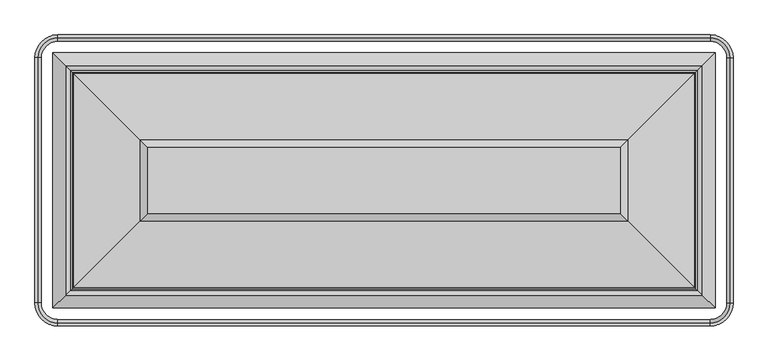
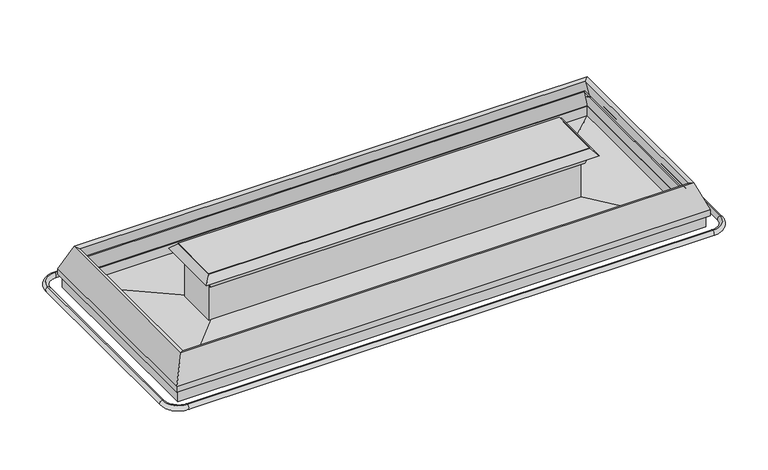
"""IFC4 building model written with IfcOpenShell, lengths in millimetres: proxy geometry."""

import ifcopenshell
import ifcopenshell.guid

model = None  # the IFC model being written
_history = None  # IfcOwnerHistory: only IFC2X3 demands one
_inside = {}  # id of a spatial element -> (the spatial element, [elements in it])
_under = {}  # id of a project, library or spatial element -> (it, [spatial elements below it])
_declared = {}  # id of a project -> (the project, [libraries it declares])
_typed = {}  # id of a type object -> (the type object, [elements of that type])
_made_of = {}  # id of a material, layer set ... -> (it, [elements and type objects made of it])


def new_model(schema):
    """Start an empty IFC model of exactly this schema.

    Asked for "IFC4X3", IfcOpenShell would pick the latest addendum, in which some entities
    have other attributes; the version numbers below select the first issue.
    IFC2X3 requires an IfcOwnerHistory on every rooted entity: one is made here for all.
    """
    global model, _history
    if schema == "IFC4X3":
        model = ifcopenshell.file(schema_version=(4, 3, 0, 0))
    else:
        model = ifcopenshell.file(schema=schema)
    _inside.clear()
    _under.clear()
    _declared.clear()
    _typed.clear()
    _made_of.clear()
    _history = None
    if model.schema == "IFC2X3":
        org = make("IfcOrganization", Name="unknown")
        user = make(
            "IfcPersonAndOrganization",
            ThePerson=make("IfcPerson", FamilyName="unknown"),
            TheOrganization=org,
        )
        app = make(
            "IfcApplication",
            ApplicationDeveloper=org,
            Version="unknown",
            ApplicationFullName="unknown",
            ApplicationIdentifier="unknown",
        )
        _history = make(
            "IfcOwnerHistory",
            OwningUser=user,
            OwningApplication=app,
            ChangeAction="ADDED",
            CreationDate=0,
        )
    return model


def make(cls, **values):
    """One entity of the class cls with the attributes given. An attribute that is None is left unset."""
    return model.create_entity(
        cls, **{name: value for name, value in values.items() if value is not None}
    )


def rooted(cls, **values):
    """An entity with a GlobalId (a new one), such as an element, a storey or a relation."""
    return make(cls, GlobalId=ifcopenshell.guid.new(), OwnerHistory=_history, **values)


def si_unit(unit_type, name, prefix=None):
    """IfcSIUnit, for example si_unit("LENGTHUNIT", "METRE", prefix="MILLI")."""
    return make("IfcSIUnit", UnitType=unit_type, Prefix=prefix, Name=name)


def assignment(units):
    """IfcUnitAssignment: the units of a project."""
    return None if units is None else make("IfcUnitAssignment", Units=units)


def point(xyz):
    """IfcCartesianPoint."""
    return None if xyz is None else make("IfcCartesianPoint", Coordinates=xyz)


def direction(xyz):
    """IfcDirection."""
    return None if xyz is None else make("IfcDirection", DirectionRatios=xyz)


def frame(location, z_axis=None, x_axis=None):
    """IfcAxis2Placement3D, a coordinate frame: its origin and axes. An axis left out is left unset."""
    return make(
        "IfcAxis2Placement3D",
        Location=point(location),
        Axis=direction(z_axis),
        RefDirection=direction(x_axis),
    )


def origin():
    """The frame at (0, 0, 0) with its axes left unset."""
    return frame((0.0, 0.0, 0.0))


def place(relative_to, where):
    """IfcLocalPlacement: puts the frame where relative to a parent placement (None: the world)."""
    return make(
        "IfcLocalPlacement", PlacementRelTo=relative_to, RelativePlacement=where
    )


def context(
    kind, dimensions, precision=None, world=None, true_north=None, identifier=None
):
    """IfcGeometricRepresentationContext, for example the 3D "Model" context."""
    return make(
        "IfcGeometricRepresentationContext",
        ContextIdentifier=identifier,
        ContextType=kind,
        CoordinateSpaceDimension=dimensions,
        Precision=precision,
        WorldCoordinateSystem=world,
        TrueNorth=true_north,
    )


def project(units=None, contexts=None):
    """IfcProject with its units and contexts."""
    return rooted(
        "IfcProject",
        Name="project",
        RepresentationContexts=contexts,
        UnitsInContext=assignment(units),
    )


def spatial(cls, under=None, at=None, **own):
    """A site, building, storey or space (cls), placed at a placement, below another one or the project."""
    s = rooted(cls, ObjectPlacement=at, **own)
    if under is not None:
        _under.setdefault(under.id(), (under, []))[1].append(s)
    return s


def polyline(points):
    """IfcPolyline through the points."""
    return make("IfcPolyline", Points=[point(p) for p in points])


def circle_curve(where, radius):
    """IfcCircle in the frame where."""
    return make("IfcCircle", Position=where, Radius=radius)


def ellipse_curve(where, semi_axis1, semi_axis2):
    """IfcEllipse in the frame where."""
    return make(
        "IfcEllipse", Position=where, SemiAxis1=semi_axis1, SemiAxis2=semi_axis2
    )


def trimmed(basis, trim1, trim2, sense, master):
    """IfcTrimmedCurve: the piece of a basis curve between two trims."""
    return make(
        "IfcTrimmedCurve",
        BasisCurve=basis,
        Trim1=trim1,
        Trim2=trim2,
        SenseAgreement=sense,
        MasterRepresentation=master,
    )


def outline(outer, holes=None, kind="AREA"):
    """IfcArbitraryClosedProfileDef: a profile drawn as a closed curve; with holes, ...WithVoids."""
    if holes is None:
        return make("IfcArbitraryClosedProfileDef", ProfileType=kind, OuterCurve=outer)
    return make(
        "IfcArbitraryProfileDefWithVoids",
        ProfileType=kind,
        OuterCurve=outer,
        InnerCurves=holes,
    )


def extrude(swept, where, along, depth):
    """IfcExtrudedAreaSolid: the profile swept, set in the frame where, extruded along a direction by depth."""
    return make(
        "IfcExtrudedAreaSolid",
        SweptArea=swept,
        Position=where,
        ExtrudedDirection=direction(along),
        Depth=depth,
    )


def faces_of(points, faces, orient=None, outer=None):
    """IfcFace entities. A face is a list of loops; a loop is a list of indices into points, from 0.

    orient and outer hold one flag for each loop. By default every Orientation is true, the
    first loop of a face is its IfcFaceOuterBound and the others are IfcFaceBound.
    """
    made = []
    for i, loops in enumerate(faces):
        bounds = []
        for j, loop in enumerate(loops):
            is_outer = j == 0 if outer is None else outer[i][j]
            bounds.append(
                make(
                    "IfcFaceOuterBound" if is_outer else "IfcFaceBound",
                    Bound=make("IfcPolyLoop", Polygon=[points[k] for k in loop]),
                    Orientation=True if orient is None else orient[i][j],
                )
            )
        made.append(make("IfcFace", Bounds=bounds))
    return made


def faceted_brep(points, faces, orient=None, outer=None, voids=None):
    """IfcFacetedBrep: a solid bounded by flat faces; with voids (closed shells), ...WithVoids."""
    shared = [point(p) for p in points]
    hull = make("IfcClosedShell", CfsFaces=faces_of(shared, faces, orient, outer))
    if voids is None:
        return make("IfcFacetedBrep", Outer=hull)
    return make(
        "IfcFacetedBrepWithVoids",
        Outer=hull,
        Voids=[
            make(cls, CfsFaces=faces_of(shared, fs, o, b)) for cls, fs, o, b in voids
        ],
    )


def shape(context_of_items, identifier, shape_type, items):
    """IfcShapeRepresentation: the items that make up one representation, for example the "Body"."""
    return make(
        "IfcShapeRepresentation",
        ContextOfItems=context_of_items,
        RepresentationIdentifier=identifier,
        RepresentationType=shape_type,
        Items=items,
    )


def source(mapping_origin, context_of_items, identifier, shape_type, items):
    """IfcRepresentationMap: a shape defined once, which mapped items show again and again."""
    return make(
        "IfcRepresentationMap",
        MappingOrigin=mapping_origin,
        MappedRepresentation=shape(context_of_items, identifier, shape_type, items),
    )


def transform(
    local_origin,
    x_axis=None,
    y_axis=None,
    z_axis=None,
    scale=None,
    scale2=None,
    scale3=None,
    uniform=True,
):
    """IfcCartesianTransformationOperator3D, or its non-uniform kind. x_axis, y_axis, z_axis: its Axis1, 2, 3."""
    if uniform:
        return make(
            "IfcCartesianTransformationOperator3D",
            Axis1=direction(x_axis),
            Axis2=direction(y_axis),
            LocalOrigin=point(local_origin),
            Scale=scale,
            Axis3=direction(z_axis),
        )
    return make(
        "IfcCartesianTransformationOperator3DnonUniform",
        Axis1=direction(x_axis),
        Axis2=direction(y_axis),
        LocalOrigin=point(local_origin),
        Scale=scale,
        Axis3=direction(z_axis),
        Scale2=scale2,
        Scale3=scale3,
    )


def mapped(mapping_source, mapping_target):
    """IfcMappedItem: shows the shape of a source again, moved by a transform."""
    return make(
        "IfcMappedItem", MappingSource=mapping_source, MappingTarget=mapping_target
    )


def made_of(thing, what):
    """Note that an element or type object is made of a material, layer set ...; save() writes the relation."""
    if what is not None:
        _made_of.setdefault(what.id(), (what, []))[1].append(thing)
    return thing


def element(
    cls,
    number,
    at=None,
    inside=None,
    cuts=None,
    type_object=None,
    material=None,
    context=None,
    identifier="Body",
    shape_type=None,
    held_by="IfcProductDefinitionShape",
    body=None,
    shapes=None,
    **own,
):
    """One element of the class cls, such as IfcWall. Its Tag is "e" and its number.

    at: its placement. inside: the storey or other place that contains it. cuts: it is an
    opening in that element (IfcRelVoidsElement). A single representation is given by context,
    identifier, shape_type and body (its items); several are given by shapes. held_by: the class
    of the entity that holds the representations. save() writes the other relations.
    """
    e = rooted(cls, Tag="e%d" % number, ObjectPlacement=at, **own)
    if body is not None:
        shapes = [shape(context, identifier, shape_type, body)]
    if shapes is not None:
        e.Representation = make(held_by, Representations=shapes)
    if inside is not None:
        _inside.setdefault(inside.id(), (inside, []))[1].append(e)
    if cuts is not None:
        rooted(
            "IfcRelVoidsElement", RelatingBuildingElement=cuts, RelatedOpeningElement=e
        )
    if type_object is not None:
        _typed.setdefault(type_object.id(), (type_object, []))[1].append(e)
    return made_of(e, material)


def aggregate(whole, parts):
    """IfcRelAggregates: a whole, such as a stair, and the parts it consists of."""
    return rooted("IfcRelAggregates", RelatingObject=whole, RelatedObjects=parts)


def save(model, path):
    """Write the relations noted so far, then the file.

    IfcRelAggregates (storeys below a building ...), IfcRelContainedInSpatialStructure (elements
    in a storey), IfcRelDefinesByType, IfcRelAssociatesMaterial and IfcRelDeclares: one each for
    every whole, place, type object, material and project.
    """
    for whole, parts in _under.values():
        aggregate(whole, parts)
    for where, things in _inside.values():
        rooted(
            "IfcRelContainedInSpatialStructure",
            RelatedElements=things,
            RelatingStructure=where,
        )
    for kind, things in _typed.values():
        rooted("IfcRelDefinesByType", RelatedObjects=things, RelatingType=kind)
    for what, things in _made_of.values():
        rooted("IfcRelAssociatesMaterial", RelatedObjects=things, RelatingMaterial=what)
    for by, libraries in _declared.values():
        rooted("IfcRelDeclares", RelatingContext=by, RelatedDefinitions=libraries)
    model.write(path)


def cylinder_surface(at, radius):
    """IfcCylindricalSurface: all points at the distance radius from the z axis of the frame at."""
    return make("IfcCylindricalSurface", Position=at, Radius=radius)


def revolved_surface(curve, axis_point, axis_direction):
    """IfcSurfaceOfRevolution: the curve turned about the line through axis_point along axis_direction."""
    return make(
        "IfcSurfaceOfRevolution",
        SweptCurve=make("IfcArbitraryOpenProfileDef", ProfileType="CURVE", Curve=curve),
        AxisPosition=make("IfcAxis1Placement", Location=point(axis_point), Axis=direction(axis_direction)),
    )


def advanced_brep(points, edges, surfaces, faces):
    """IfcAdvancedBrep: a solid bounded by faces that lie on surfaces and meet in shared edges.

    An edge is (start, end): straight between two places in points (the first is 0);
    or (start, end, curve); or (start, end, curve, False) where it runs against its curve.
    A face is (place in surfaces, loops), or (place, loops, False) where it looks against
    its surface's normal. A loop lists edges by number (the first is 1), with a minus sign
    where the edge is run from its end to its start. The first loop is the outer one.
    """
    corners = [point(p) for p in points]
    vertices = [make("IfcVertexPoint", VertexGeometry=c) for c in corners]
    made = []
    for start, end, *more in edges:
        made.append(
            make(
                "IfcEdgeCurve",
                EdgeStart=vertices[start],
                EdgeEnd=vertices[end],
                EdgeGeometry=more[0] if more else make("IfcPolyline", Points=[corners[start], corners[end]]),
                SameSense=more[1] if len(more) > 1 else True,
            )
        )
    hull = []
    for where, loops, *sense in faces:
        bounds = []
        for j, loop in enumerate(loops):
            ring = [make("IfcOrientedEdge", EdgeElement=made[abs(k) - 1], Orientation=k > 0) for k in loop]
            bounds.append(
                make(
                    "IfcFaceOuterBound" if j == 0 else "IfcFaceBound",
                    Bound=make("IfcEdgeLoop", EdgeList=ring),
                    Orientation=True,
                )
            )
        hull.append(make("IfcAdvancedFace", Bounds=bounds, FaceSurface=surfaces[where], SameSense=sense[0] if sense else True))
    return make("IfcAdvancedBrep", Outer=make("IfcClosedShell", CfsFaces=hull))


def mechanical_equipment_0924ac7d(model_context):
    return source(origin(), model_context, "Body", "SolidModel", [
        faceted_brep([(117.2795906, -1860.5025367, 659.9033799), (196.5954547, -1781.1866726, 861.5557008), (3705.4795453, -1781.1866726, 861.5557008), (3784.7954094, -1860.5025367, 659.9033799), (136.2488836, -1841.5332437, 652.4421919), (3765.8261164, -1841.5332437, 652.4421919), (161.0082414, -1816.7738859, 656.1660469), (160.6684124, -1817.1137149, 652.4421919), (3741.4065876, -1817.1137149, 652.4421919), (3741.0667586, -1816.7738859, 656.1660469), (207.6899, -1770.0922273, 801.2432088), (3694.3851, -1770.0922273, 801.2432088), (213.7448053, -1764.037322, 799.3299339), (3688.3301947, -1764.037322, 799.3299339), (167.0631468, -1810.7189805, 654.252772), (3735.0118532, -1810.7189805, 654.252772), (167.6563031, -1810.1258242, 649.6873876), (3734.4186969, -1810.1258242, 649.6873876), (100.5067246, -1877.2754027, 690.9584783), (100.5067246, -1877.2754027, 649.6873876), (3801.5682754, -1877.2754027, 649.6873876), (3801.5682754, -1877.2754027, 690.9584783), (171.5871715, -1806.1949558, 871.4067245), (3730.4878285, -1806.1949558, 871.4067245), (3705.4795453, -545.602582, 861.5557008), (3784.7954094, -466.2867179, 659.9033799), (3765.8261164, -485.2560109, 652.4421919), (3741.4065876, -509.6755397, 652.4421919), (3741.0667586, -510.0153687, 656.1660469), (3694.3851, -556.6970273, 801.2432088), (3688.3301947, -562.7519326, 799.3299339), (3735.0118532, -516.0702741, 654.252772), (3734.4186969, -516.6634304, 649.6873876), (3801.5682754, -449.5138519, 649.6873876), (3801.5682754, -449.5138519, 690.9584783), (3730.4878285, -520.5942988, 871.4067245), (196.5954547, -545.602582, 861.5557008), (117.2795906, -466.2867179, 659.9033799), (136.2488836, -485.2560109, 652.4421919), (160.6684124, -509.6755397, 652.4421919), (161.0082414, -510.0153687, 656.1660469), (207.6899, -556.6970273, 801.2432088), (213.7448053, -562.7519326, 799.3299339), (167.0631468, -516.0702741, 654.252772), (167.6563031, -516.6634304, 649.6873876), (100.5067246, -449.5138519, 649.6873876), (100.5067246, -449.5138519, 690.9584783), (171.5871715, -520.5942988, 871.4067245)], [[[0, 1, 2, 3]], [[4, 0, 3, 5]], [[6, 7, 8, 9]], [[10, 6, 9, 11]], [[12, 10, 11, 13]], [[14, 12, 13, 15]], [[16, 14, 15, 17]], [[18, 19, 20, 21]], [[22, 18, 21, 23]], [[1, 22, 23, 2]], [[3, 2, 24, 25]], [[5, 3, 25, 26]], [[9, 8, 27, 28]], [[11, 9, 28, 29]], [[13, 11, 29, 30]], [[15, 13, 30, 31]], [[17, 15, 31, 32]], [[21, 20, 33, 34]], [[23, 21, 34, 35]], [[2, 23, 35, 24]], [[25, 24, 36, 37]], [[26, 25, 37, 38]], [[28, 27, 39, 40]], [[29, 28, 40, 41]], [[30, 29, 41, 42]], [[31, 30, 42, 43]], [[32, 31, 43, 44]], [[34, 33, 45, 46]], [[35, 34, 46, 47]], [[24, 35, 47, 36]], [[37, 36, 1, 0]], [[38, 37, 0, 4]], [[5, 26, 38, 4], [7, 39, 27, 8]], [[40, 39, 7, 6]], [[41, 40, 6, 10]], [[42, 41, 10, 12]], [[43, 42, 12, 14]], [[44, 43, 14, 16]], [[19, 45, 33, 20], [17, 32, 44, 16]], [[46, 45, 19, 18]], [[47, 46, 18, 22]], [[36, 47, 22, 1]]]),
        extrude(outline(polyline([(3272.4098359, -1348.1169632), (629.3510743, -1348.1169632), (629.3510743, -978.6722914), (3272.4098359, -978.6722914), (3272.4098359, -1348.1169632)])), frame((0.0, 0.0, 1009.3885914), z_axis=(0.0, 0.0, 1.0), x_axis=(1.0, 0.0, 0.0)), (0.0, 0.0, 1.0), 3.1453162),
        extrude(outline(polyline([(3232.7020079, -1019.5095352), (3232.7020079, -1308.4091352), (651.401561, -1308.4091352), (651.401561, -1019.5095352), (3232.7020079, -1019.5095352)])), frame((0.0, 0.0, 581.214329), z_axis=(0.0, 0.0, 1.0), x_axis=(1.0, 0.0, 0.0)), (0.0, 0.0, 1.0), 317.8871452),
        faceted_brep([(651.401561, -1326.3805663, 893.0906294), (669.499029, -1308.2830983, 899.1014742), (3232.575971, -1308.2830983, 899.1014742), (3250.673439, -1326.3805663, 893.0906294), (627.9264988, -1349.8556285, 963.7694113), (3274.1485012, -1349.8556285, 963.7694113), (629.6651641, -1348.1169632, 1009.3885914), (588.5894698, -1389.1926575, 963.7694113), (3313.4855302, -1389.1926575, 963.7694113), (3272.4098359, -1348.1169632, 1009.3885914), (813.8861433, -1163.895984, 899.1014742), (813.8861433, -1163.895984, 1009.3885914), (3088.1888567, -1163.895984, 1009.3885914), (3088.1888567, -1163.895984, 899.1014742), (3232.575971, -1018.5061563, 899.1014742), (3250.673439, -1000.4086883, 893.0906294), (3274.1485012, -976.9336261, 963.7694113), (3313.4855302, -937.5965971, 963.7694113), (3272.4098359, -978.6722914, 1009.3885914), (3088.1888567, -1162.8932706, 1009.3885914), (3088.1888567, -1162.8932706, 899.1014742), (669.499029, -1018.5061563, 899.1014742), (651.401561, -1000.4086883, 893.0906294), (627.9264988, -976.9336261, 963.7694113), (588.5894698, -937.5965971, 963.7694113), (629.6651641, -978.6722914, 1009.3885914), (813.8861433, -1162.8932706, 1009.3885914), (813.8861433, -1162.8932706, 899.1014742)], [[[0, 1, 2, 3]], [[4, 0, 3, 5]], [[6, 7, 8, 9]], [[10, 11, 12, 13]], [[3, 2, 14, 15]], [[5, 3, 15, 16]], [[9, 8, 17, 18]], [[13, 12, 19, 20]], [[15, 14, 21, 22]], [[16, 15, 22, 23]], [[18, 17, 24, 25]], [[20, 19, 26, 27]], [[22, 21, 1, 0]], [[23, 22, 0, 4]], [[7, 24, 17, 8], [5, 16, 23, 4]], [[25, 24, 7, 6]], [[9, 18, 25, 6], [11, 26, 19, 12]], [[27, 26, 11, 10]], [[1, 21, 14, 2], [13, 20, 27, 10]]]),
        faceted_brep([(669.3729921, -1308.4091352, 432.6802077), (669.3729921, -1308.4091352, 640.7061243), (3232.7020079, -1308.4091352, 640.7061243), (3232.7020079, -1308.4091352, 432.6802077), (283.782503, -1693.9996243, 446.8348083), (3618.292497, -1693.9996243, 446.8348083), (120.7307716, -1857.0513557, 561.0048878), (3781.3442284, -1857.0513557, 561.0048878), (120.7307716, -1857.0513557, 649.6873876), (3781.3442284, -1857.0513557, 649.6873876), (168.2884124, -1809.4937149, 581.214329), (168.2884124, -1809.4937149, 649.6873876), (3733.7865876, -1809.4937149, 649.6873876), (3733.7865876, -1809.4937149, 581.214329), (3232.7020079, -1018.3801194, 640.7061243), (3232.7020079, -1018.3801194, 432.6802077), (3618.292497, -632.7896303, 446.8348083), (3781.3442284, -469.7378989, 561.0048878), (3781.3442284, -469.7378989, 649.6873876), (3733.7865876, -517.2955397, 649.6873876), (3733.7865876, -517.2955397, 581.214329), (669.3729921, -1018.3801194, 640.7061243), (669.3729921, -1018.3801194, 432.6802077), (283.782503, -632.7896303, 446.8348083), (120.7307716, -469.7378989, 561.0048878), (120.7307716, -469.7378989, 649.6873876), (168.2884124, -517.2955397, 649.6873876), (168.2884124, -517.2955397, 581.214329)], [[[0, 1, 2, 3]], [[4, 0, 3, 5]], [[6, 4, 5, 7]], [[8, 6, 7, 9]], [[10, 11, 12, 13]], [[1, 10, 13, 2]], [[3, 2, 14, 15]], [[5, 3, 15, 16]], [[7, 5, 16, 17]], [[9, 7, 17, 18]], [[13, 12, 19, 20]], [[2, 13, 20, 14]], [[15, 14, 21, 22]], [[16, 15, 22, 23]], [[17, 16, 23, 24]], [[18, 17, 24, 25]], [[20, 19, 26, 27]], [[14, 20, 27, 21]], [[22, 21, 1, 0]], [[23, 22, 0, 4]], [[24, 23, 4, 6]], [[25, 24, 6, 8]], [[9, 18, 25, 8], [11, 26, 19, 12]], [[27, 26, 11, 10]], [[21, 27, 10, 1]]]),
        advanced_brep(
        [(128.5372773, -367.261694, 567.3111181), (128.5372773, -364.6063208, 602.1833335), (3773.5377227, -364.6063208, 602.1833335), (3773.5377227, -367.261694, 567.3111181), (3883.8204333, -477.5444046, 567.3111181), (3886.4758065, -477.5444046, 602.1833335), (3886.4758065, -1849.24485, 602.1833335), (3883.8204333, -1849.24485, 567.3111181), (3773.5377227, -1959.5275606, 567.3111181), (3773.5377227, -1962.1829338, 602.1833335), (128.5372773, -1962.1829338, 602.1833335), (128.5372773, -1959.5275606, 567.3111181), (18.2545667, -1849.24485, 567.3111181), (15.5991935, -1849.24485, 602.1833335), (15.5991935, -477.5444046, 602.1833335), (18.2545667, -477.5444046, 567.3111181)],
        [
            (0, 1, circle_curve(frame((128.5372773, -366.1293194, 584.762098), z_axis=(1.0, 0.0, 0.0), x_axis=(0.0, 1.0, 0.0)), 17.4876806)),
            (1, 2),
            (2, 3, circle_curve(frame((3773.5377227, -366.1293194, 584.762098), z_axis=(-1.0, 0.0, 0.0), x_axis=(0.0, 1.0, 0.0)), 17.4876806)),
            (3, 0),
            (1, 0, circle_curve(frame((128.5372773, -366.2319692, 584.7699144), z_axis=(1.0, 0.0, 0.0), x_axis=(0.0, 1.0, 0.0)), 17.4891366)),
            (3, 2, circle_curve(frame((3773.5377227, -366.2319692, 584.7699144), z_axis=(-1.0, 0.0, 0.0), x_axis=(0.0, 1.0, 0.0)), 17.4891366)),
            (4, 3, circle_curve(frame((3773.5377227, -477.5444046, 567.3111181), z_axis=(0.0, 0.0, 1.0), x_axis=(0.0, 1.0, 0.0)), 110.2827105)),
            (2, 5, circle_curve(frame((3773.5377227, -477.5444046, 602.1833335), z_axis=(0.0, 0.0, -1.0), x_axis=(0.0, 1.0, 0.0)), 112.9380838)),
            (5, 4, circle_curve(frame((3884.9528079, -477.5444046, 584.762098), z_axis=(0.0, 1.0, 0.0), x_axis=(1.0, 0.0, 0.0)), 17.4876806)),
            (4, 5, circle_curve(frame((3884.8501581, -477.5444046, 584.7699144), z_axis=(0.0, 1.0, 0.0), x_axis=(1.0, 0.0, 0.0)), 17.4891366)),
            (5, 6),
            (6, 7, circle_curve(frame((3884.9528079, -1849.24485, 584.762098), z_axis=(0.0, 1.0, 0.0), x_axis=(1.0, 0.0, 0.0)), 17.4876806)),
            (7, 4),
            (7, 6, circle_curve(frame((3884.8501581, -1849.24485, 584.7699144), z_axis=(0.0, 1.0, 0.0), x_axis=(1.0, 0.0, 0.0)), 17.4891366)),
            (8, 7, circle_curve(frame((3773.5377227, -1849.24485, 567.3111181), z_axis=(0.0, 0.0, 1.0), x_axis=(1.0, 0.0, 0.0)), 110.2827105)),
            (6, 9, circle_curve(frame((3773.5377227, -1849.24485, 602.1833335), z_axis=(0.0, 0.0, -1.0), x_axis=(1.0, 0.0, 0.0)), 112.9380838)),
            (9, 8, circle_curve(frame((3773.5377227, -1960.6599352, 584.762098), z_axis=(1.0, 0.0, 0.0), x_axis=(0.0, -1.0, 0.0)), 17.4876806)),
            (8, 9, circle_curve(frame((3773.5377227, -1960.5572854, 584.7699144), z_axis=(1.0, 0.0, 0.0), x_axis=(0.0, -1.0, 0.0)), 17.4891366)),
            (9, 10),
            (10, 11, circle_curve(frame((128.5372773, -1960.6599352, 584.762098), z_axis=(1.0, 0.0, 0.0), x_axis=(0.0, -1.0, 0.0)), 17.4876806)),
            (11, 8),
            (11, 10, circle_curve(frame((128.5372773, -1960.5572854, 584.7699144), z_axis=(1.0, 0.0, 0.0), x_axis=(0.0, -1.0, 0.0)), 17.4891366)),
            (12, 11, circle_curve(frame((128.5372773, -1849.24485, 567.3111181), z_axis=(0.0, 0.0, 1.0), x_axis=(0.0, -1.0, 0.0)), 110.2827105)),
            (10, 13, circle_curve(frame((128.5372773, -1849.24485, 602.1833335), z_axis=(0.0, 0.0, -1.0), x_axis=(0.0, -1.0, 0.0)), 112.9380838)),
            (13, 12, circle_curve(frame((17.1221921, -1849.24485, 584.762098), z_axis=(0.0, -1.0, 0.0), x_axis=(-1.0, 0.0, 0.0)), 17.4876806)),
            (12, 13, circle_curve(frame((17.2248419, -1849.24485, 584.7699144), z_axis=(0.0, -1.0, 0.0), x_axis=(-1.0, 0.0, 0.0)), 17.4891366)),
            (13, 14),
            (14, 15, circle_curve(frame((17.1221921, -477.5444046, 584.762098), z_axis=(0.0, -1.0, 0.0), x_axis=(-1.0, 0.0, 0.0)), 17.4876806)),
            (15, 12),
            (15, 14, circle_curve(frame((17.2248419, -477.5444046, 584.7699144), z_axis=(0.0, -1.0, 0.0), x_axis=(-1.0, 0.0, 0.0)), 17.4891366)),
            (0, 15, circle_curve(frame((128.5372773, -477.5444046, 567.3111181), z_axis=(0.0, 0.0, 1.0), x_axis=(-1.0, 0.0, 0.0)), 110.2827105)),
            (14, 1, circle_curve(frame((128.5372773, -477.5444046, 602.1833335), z_axis=(0.0, 0.0, -1.0), x_axis=(-1.0, 0.0, 0.0)), 112.9380838)),
        ],
        [
            cylinder_surface(frame((128.5372773, -366.1293194, 584.762098), z_axis=(-1.0, 0.0, 0.0), x_axis=(0.0, 1.0, 0.0)), 17.4876806),
            cylinder_surface(frame((128.5372773, -366.2319692, 584.7699144), z_axis=(-1.0, 0.0, 0.0), x_axis=(0.0, 1.0, 0.0)), 17.4891366),
            revolved_surface(trimmed(ellipse_curve(frame((3773.5377227, -366.1293194, 584.762098), z_axis=(-1.0, 0.0, 0.0), x_axis=(0.0, 1.0, 0.0)), 17.4876806, 17.4876806), [point((3773.5377227, -364.6063208, 602.1833335))], [point((3773.5377227, -367.261694, 567.3111181))], True, "CARTESIAN"), (3773.5377227, -477.5444046, 0.0), (0.0, 0.0, -1.0)),
            revolved_surface(trimmed(ellipse_curve(frame((3773.5377227, -366.2319692, 584.7699144), z_axis=(-1.0, 0.0, 0.0), x_axis=(0.0, 1.0, 0.0)), 17.4891366, 17.4891366), [point((3773.5377227, -367.261694, 567.3111181))], [point((3773.5377227, -364.6063208, 602.1833335))], True, "CARTESIAN"), (3773.5377227, -477.5444046, 0.0), (0.0, 0.0, -1.0)),
            cylinder_surface(frame((3884.9528079, -477.5444046, 584.762098), z_axis=(0.0, 1.0, 0.0), x_axis=(1.0, 0.0, 0.0)), 17.4876806),
            cylinder_surface(frame((3884.8501581, -477.5444046, 584.7699144), z_axis=(0.0, 1.0, 0.0), x_axis=(1.0, 0.0, 0.0)), 17.4891366),
            revolved_surface(trimmed(ellipse_curve(frame((3884.9528079, -1849.24485, 584.762098), z_axis=(0.0, 1.0, 0.0), x_axis=(1.0, 0.0, 0.0)), 17.4876806, 17.4876806), [point((3886.4758065, -1849.24485, 602.1833335))], [point((3883.8204333, -1849.24485, 567.3111181))], True, "CARTESIAN"), (3773.5377227, -1849.24485, 0.0), (0.0, 0.0, -1.0)),
            revolved_surface(trimmed(ellipse_curve(frame((3884.8501581, -1849.24485, 584.7699144), z_axis=(0.0, 1.0, 0.0), x_axis=(1.0, 0.0, 0.0)), 17.4891366, 17.4891366), [point((3883.8204333, -1849.24485, 567.3111181))], [point((3886.4758065, -1849.24485, 602.1833335))], True, "CARTESIAN"), (3773.5377227, -1849.24485, 0.0), (0.0, 0.0, -1.0)),
            cylinder_surface(frame((3773.5377227, -1960.6599352, 584.762098), z_axis=(1.0, 0.0, 0.0), x_axis=(0.0, -1.0, 0.0)), 17.4876806),
            cylinder_surface(frame((3773.5377227, -1960.5572854, 584.7699144), z_axis=(1.0, 0.0, 0.0), x_axis=(0.0, -1.0, 0.0)), 17.4891366),
            revolved_surface(trimmed(ellipse_curve(frame((128.5372773, -1960.6599352, 584.762098), z_axis=(1.0, 0.0, 0.0), x_axis=(0.0, -1.0, 0.0)), 17.4876806, 17.4876806), [point((128.5372773, -1962.1829338, 602.1833335))], [point((128.5372773, -1959.5275606, 567.3111181))], True, "CARTESIAN"), (128.5372773, -1849.24485, 0.0), (0.0, 0.0, -1.0)),
            revolved_surface(trimmed(ellipse_curve(frame((128.5372773, -1960.5572854, 584.7699144), z_axis=(1.0, 0.0, 0.0), x_axis=(0.0, -1.0, 0.0)), 17.4891366, 17.4891366), [point((128.5372773, -1959.5275606, 567.3111181))], [point((128.5372773, -1962.1829338, 602.1833335))], True, "CARTESIAN"), (128.5372773, -1849.24485, 0.0), (0.0, 0.0, -1.0)),
            cylinder_surface(frame((17.1221921, -1849.24485, 584.762098), z_axis=(0.0, -1.0, 0.0), x_axis=(-1.0, 0.0, 0.0)), 17.4876806),
            cylinder_surface(frame((17.2248419, -1849.24485, 584.7699144), z_axis=(0.0, -1.0, 0.0), x_axis=(-1.0, 0.0, 0.0)), 17.4891366),
            revolved_surface(trimmed(ellipse_curve(frame((17.1221921, -477.5444046, 584.762098), z_axis=(0.0, -1.0, 0.0), x_axis=(-1.0, 0.0, 0.0)), 17.4876806, 17.4876806), [point((15.5991935, -477.5444046, 602.1833335))], [point((18.2545667, -477.5444046, 567.3111181))], True, "CARTESIAN"), (128.5372773, -477.5444046, 0.0), (0.0, 0.0, -1.0)),
            revolved_surface(trimmed(ellipse_curve(frame((17.2248419, -477.5444046, 584.7699144), z_axis=(0.0, -1.0, 0.0), x_axis=(-1.0, 0.0, 0.0)), 17.4891366, 17.4891366), [point((18.2545667, -477.5444046, 567.3111181))], [point((15.5991935, -477.5444046, 602.1833335))], True, "CARTESIAN"), (128.5372773, -477.5444046, 0.0), (0.0, 0.0, -1.0)),
        ],
        [
            (0, [[1, 2, 3, 4]]),
            (1, [[5, -4, 6, -2]]),
            (2, [[7, -3, 8, 9]]),
            (3, [[-8, -6, -7, 10]]),
            (4, [[-9, 11, 12, 13]]),
            (5, [[-10, -13, 14, -11]]),
            (6, [[15, -12, 16, 17]]),
            (7, [[-16, -14, -15, 18]]),
            (8, [[-17, 19, 20, 21]]),
            (9, [[-18, -21, 22, -19]]),
            (10, [[23, -20, 24, 25]]),
            (11, [[-24, -22, -23, 26]]),
            (12, [[-25, 27, 28, 29]]),
            (13, [[-26, -29, 30, -27]]),
            (14, [[31, -28, 32, -1]]),
            (15, [[-32, -30, -31, -5]]),
        ],
    ),
    ])


if __name__ == "__main__":
    model = new_model("IFC4")
    model_context = context("Model", 3, world=origin())
    ifc_project = project(units=[si_unit("LENGTHUNIT", "METRE", prefix="MILLI")], contexts=[model_context])
    site = spatial("IfcSite", under=ifc_project)
    building = spatial("IfcBuilding", under=site)
    placement = place(None, origin())
    mechanical_equipment_shape = mechanical_equipment_0924ac7d(model_context)
    element("IfcBuildingElementProxy", 1, Name="Mechanical Equipment", at=placement, inside=building, context=model_context, shape_type="MappedRepresentation", body=[
        mapped(mechanical_equipment_shape, transform((0.0, 0.0, 0.0), x_axis=(1.0, 0.0, 0.0), y_axis=(0.0, 1.0, 0.0), z_axis=(0.0, 0.0, 1.0))),
    ])
    save(model, "model.ifc")
